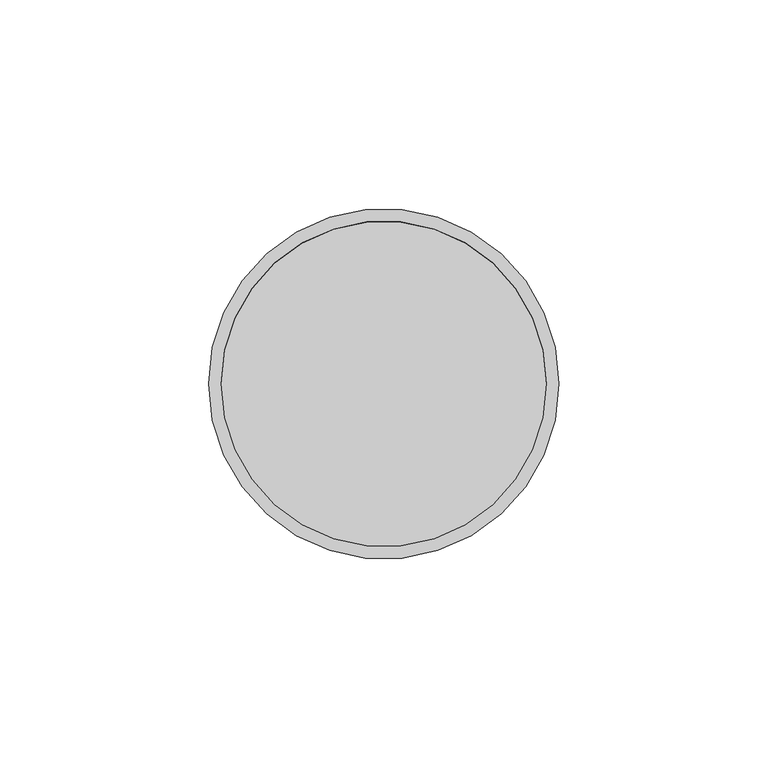
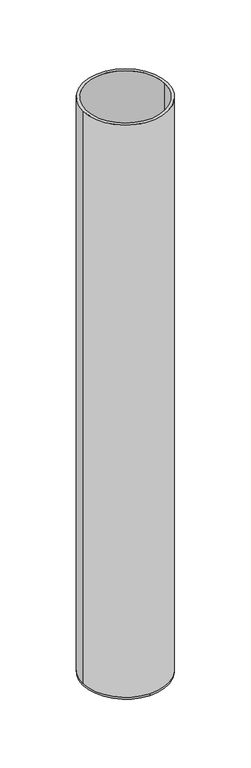
"""IFC4 building model written with IfcOpenShell, lengths in millimetres: beam geometry."""

from ifc_helpers import new_model, si_unit, frame, origin, place, context, project, spatial, polyline, circle_curve, source, transform, mapped, element, save
from ifc_brep_helpers import plane_surface, cylinder_surface, revolved_surface, advanced_brep


def beam_fbaedb17(model_context):
    return source(origin(), model_context, "Body", "AdvancedBrep", [
        advanced_brep(
        [(42.0, 0.0, 0.0), (-42.0, 0.0, 0.0), (39.0, 0.0, 0.0), (-39.0, 0.0, 0.0), (39.0, 0.0, -598.0), (-39.0, 0.0, -598.0), (42.0, 0.0, -598.0), (0.0, 42.0, -598.0), (-42.0, 0.0, -598.0), (0.0, -42.0, -598.0), (0.0, 42.0, -600.0), (0.0, -42.0, -600.0)],
        [
            (0, 1, circle_curve(frame((0.0, 0.0, 0.0), z_axis=(0.0, 0.0, 1.0), x_axis=(-1.0, 0.0, 0.0)), 42.0)),
            (1, 0, circle_curve(frame((0.0, 0.0, 0.0), z_axis=(0.0, 0.0, 1.0), x_axis=(-1.0, 0.0, 0.0)), 42.0)),
            (2, 3, circle_curve(frame((0.0, 0.0, 0.0), z_axis=(0.0, 0.0, -1.0), x_axis=(-1.0, 0.0, 0.0)), 39.0)),
            (3, 2, circle_curve(frame((0.0, 0.0, 0.0), z_axis=(0.0, 0.0, -1.0), x_axis=(-1.0, 0.0, 0.0)), 39.0)),
            (2, 4),
            (4, 5, circle_curve(frame((0.0, 0.0, -598.0), z_axis=(0.0, 0.0, -1.0), x_axis=(-1.0, 0.0, 0.0)), 39.0)),
            (5, 3),
            (5, 4, circle_curve(frame((0.0, 0.0, -598.0), z_axis=(0.0, 0.0, -1.0), x_axis=(-1.0, 0.0, 0.0)), 39.0)),
            (0, 6),
            (6, 7, circle_curve(frame((0.0, 0.0, -598.0), z_axis=(0.0, 0.0, 1.0), x_axis=(-1.0, 0.0, 0.0)), 42.0)),
            (7, 8, circle_curve(frame((0.0, 0.0, -598.0), z_axis=(0.0, 0.0, 1.0), x_axis=(-1.0, 0.0, 0.0)), 42.0)),
            (8, 1),
            (8, 9, circle_curve(frame((0.0, 0.0, -598.0), z_axis=(0.0, 0.0, 1.0), x_axis=(-1.0, 0.0, 0.0)), 42.0)),
            (9, 6, circle_curve(frame((0.0, 0.0, -598.0), z_axis=(0.0, 0.0, 1.0), x_axis=(-1.0, 0.0, 0.0)), 42.0)),
            (10, 11, circle_curve(frame((0.0, 0.0, -600.0), z_axis=(0.0, 0.0, -1.0), x_axis=(0.0, -1.0, 0.0)), 42.0)),
            (11, 10, circle_curve(frame((0.0, 0.0, -600.0), z_axis=(0.0, 0.0, -1.0), x_axis=(0.0, -1.0, 0.0)), 42.0)),
            (11, 9),
            (7, 10),
        ],
        [
            plane_surface(frame((0.0, 0.0, 0.0), z_axis=(0.0, 0.0, 1.0), x_axis=(0.0, -1.0, 0.0))),
            revolved_surface(polyline([(-39.0, 0.0, 0.0), (-39.0, 0.0, -598.0)]), (0.0, 0.0, -598.0), (0.0, 0.0, 1.0)),
            cylinder_surface(frame((0.0, 0.0, -598.0), z_axis=(0.0, 0.0, -1.0), x_axis=(-1.0, 0.0, 0.0)), 42.0),
            plane_surface(frame((0.0, 0.0, -598.0), z_axis=(0.0, 0.0, 1.0), x_axis=(0.0, -1.0, 0.0))),
            plane_surface(frame((0.0, 0.0, -600.0), z_axis=(0.0, 0.0, -1.0), x_axis=(0.0, -1.0, 0.0))),
            cylinder_surface(frame((0.0, 0.0, -598.0), z_axis=(0.0, 0.0, 1.0), x_axis=(0.0, -1.0, 0.0)), 42.0),
        ],
        [
            (0, [[1, 2], [3, 4]]),
            (1, [[-3, 5, 6, 7]]),
            (1, [[-4, -7, 8, -5]]),
            (2, [[-1, 9, 10, 11, 12]]),
            (2, [[-2, -12, 13, 14, -9]]),
            (3, [[-6, -8]]),
            (4, [[15, 16]]),
            (5, [[-16, 17, -13, -11, 18]]),
            (5, [[-15, -18, -10, -14, -17]]),
        ],
    ),
    ])


if __name__ == "__main__":
    model = new_model("IFC4")
    model_context = context("Model", 3, world=origin())
    ifc_project = project(units=[si_unit("LENGTHUNIT", "METRE", prefix="MILLI")], contexts=[model_context])
    site = spatial("IfcSite", under=ifc_project)
    building = spatial("IfcBuilding", under=site)
    placement = place(None, origin())
    beam_shape = beam_fbaedb17(model_context)
    element("IfcBeam", 1, at=placement, inside=building, context=model_context, shape_type="MappedRepresentation", body=[
        mapped(beam_shape, transform((0.0, 0.0, 0.0), x_axis=(1.0, 0.0, 0.0), y_axis=(0.0, 1.0, 0.0), z_axis=(0.0, 0.0, 1.0))),
    ])
    save(model, "model.ifc")
